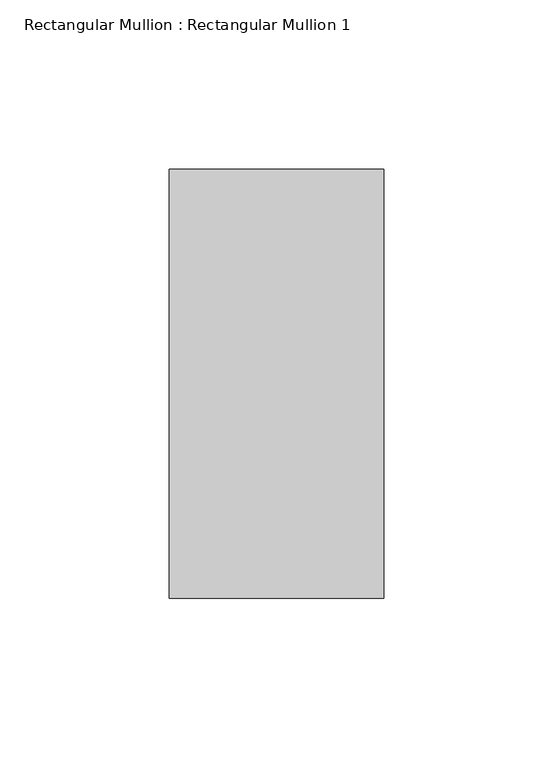
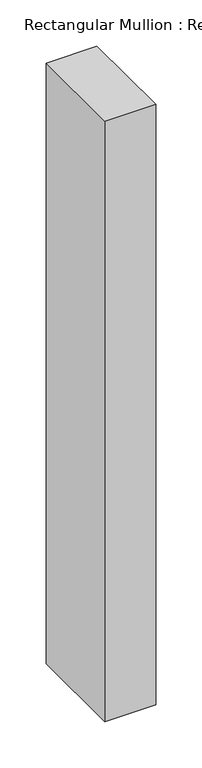
"""IFC4 building model written with IfcOpenShell, lengths in millimetres: member geometry, Rectangular Mullion : Rectangular Mullion 1."""

from ifc_helpers import new_model, si_unit, frame, origin, place, context, project, spatial, polyline, outline, extrude, source, transform, mapped, element, save


def rectangular_mullion_rectangular_mullion_1_6f717f5b(model_context):
    return source(origin(), model_context, "Body", "SweptSolid", [
        extrude(outline(polyline([(31.75, 63.5), (31.75, -63.5), (-31.75, -63.5), (-31.75, 63.5), (31.75, 63.5)])), frame((0.0, 0.0, -793.75), z_axis=(0.0, 0.0, 1.0), x_axis=(1.0, 0.0, 0.0)), (0.0, 0.0, 1.0), 793.75),
    ])


if __name__ == "__main__":
    model = new_model("IFC4")
    model_context = context("Model", 3, world=origin())
    ifc_project = project(units=[si_unit("LENGTHUNIT", "METRE", prefix="MILLI")], contexts=[model_context])
    site = spatial("IfcSite", under=ifc_project)
    building = spatial("IfcBuilding", under=site)
    placement = place(None, origin())
    rectangular_mullion_rectangular_mullion_1_shape = rectangular_mullion_rectangular_mullion_1_6f717f5b(model_context)
    element("IfcMember", 1, ObjectType="Rectangular Mullion : Rectangular Mullion 1", at=placement, inside=building, context=model_context, shape_type="MappedRepresentation", body=[
        mapped(rectangular_mullion_rectangular_mullion_1_shape, transform((0.0, 0.0, 0.0), x_axis=(1.0, 0.0, 0.0), y_axis=(0.0, 1.0, 0.0), z_axis=(0.0, 0.0, 1.0))),
    ])
    save(model, "model.ifc")
